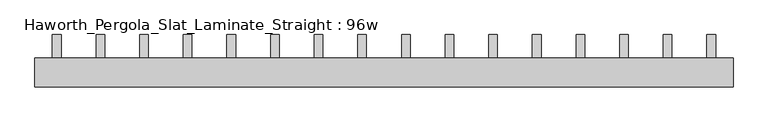
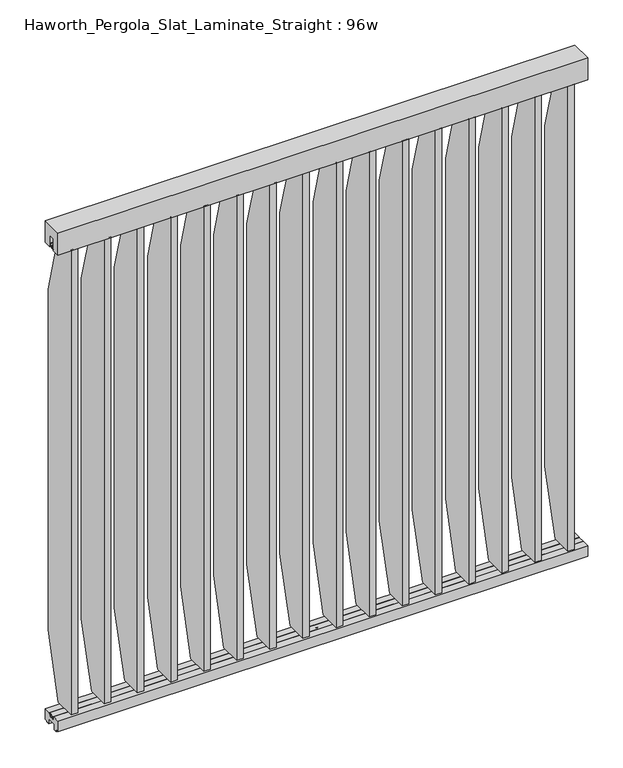
"""IFC4 building model written with IfcOpenShell, lengths in millimetres: furniture geometry, Haworth_Pergola_Slat_Laminate_Straight : 96w."""

from ifc_helpers import new_model, si_unit, point, frame, frame_2d, origin, place, context, project, spatial, polyline, circle_curve, trimmed, segment, composite_curve, outline, extrude, source, transform, mapped, element, save


def haworth_pergola_slat_laminate_straight_96w_c8a7a102(model_context):
    return source(origin(), model_context, "Body", "SweptSolid", [
        extrude(outline(polyline([(50.8, 2438.4), (50.8, 2331.8390625), (15.2182948, 2331.8390625), (15.2182948, 2388.7001663), (-15.2182948, 2388.7001663), (-15.2182948, 2331.8390625), (-50.8, 2331.8390625), (-50.8, 2438.4), (50.8, 2438.4)])), frame((-1181.1, 0.0, 0.0), z_axis=(1.0, 0.0, 0.0), x_axis=(0.0, 1.0, 0.0)), (0.0, 0.0, 1.0), 2438.4),
        extrude(outline(polyline([(132.3000005, 2029.2806731), (132.3000005, 371.6807247), (50.7894893, 68.7916667), (-50.8000016, 68.7916667), (-50.8000016, 2332.1697917), (50.7895063, 2332.1697917), (132.3000005, 2029.2806731)])), frame((1013.7000003, 0.0, 0.0), z_axis=(1.0, 0.0, 0.0), x_axis=(0.0, 1.0, 0.0)), (0.0, 0.0, 1.0), 29.9999997),
        extrude(outline(composite_curve([segment(trimmed(circle_curve(frame_2d((1028.7000001, -1e-07)), 6.0), [point((1022.7000001, -1e-07))], [point((1034.7000001, -1e-07))], False, "CARTESIAN"), True, "CONTINUOUS"), segment(trimmed(circle_curve(frame_2d((1028.7000001, -1e-07)), 6.0), [point((1034.7000001, -1e-07))], [point((1022.7000001, -1e-07))], False, "CARTESIAN"), True, "CONTINUOUS")], self_intersect=False)), frame((0.0, 0.0, 2332.1697917), z_axis=(0.0, 0.0, 1.0), x_axis=(1.0, 0.0, 0.0)), (0.0, 0.0, 1.0), 4.9609375),
        extrude(outline(composite_curve([segment(trimmed(circle_curve(frame_2d((1028.7000001, -1e-07)), 6.0), [point((1022.7000001, -1e-07))], [point((1034.7000001, -1e-07))], False, "CARTESIAN"), True, "CONTINUOUS"), segment(trimmed(circle_curve(frame_2d((1028.7000001, -1e-07)), 6.0), [point((1034.7000001, -1e-07))], [point((1022.7000001, -1e-07))], False, "CARTESIAN"), True, "CONTINUOUS")], self_intersect=False)), frame((0.0, 0.0, 63.8307292), z_axis=(0.0, 0.0, 1.0), x_axis=(1.0, 0.0, 0.0)), (0.0, 0.0, 1.0), 4.9609375),
        extrude(outline(polyline([(132.3000005, 2029.6114023), (132.3000005, 372.0114539), (50.7894893, 69.1223958), (-50.8000016, 69.1223958), (-50.8000016, 2332.5005208), (50.7895063, 2332.5005208), (132.3000005, 2029.6114023)])), frame((861.3000003, 0.0, 0.0), z_axis=(1.0, 0.0, 0.0), x_axis=(0.0, 1.0, 0.0)), (0.0, 0.0, 1.0), 29.9999997),
        extrude(outline(composite_curve([segment(trimmed(circle_curve(frame_2d((876.3000001, -1e-07)), 6.0), [point((870.3000001, -1e-07))], [point((882.3000001, -1e-07))], False, "CARTESIAN"), True, "CONTINUOUS"), segment(trimmed(circle_curve(frame_2d((876.3000001, -1e-07)), 6.0), [point((882.3000001, -1e-07))], [point((870.3000001, -1e-07))], False, "CARTESIAN"), True, "CONTINUOUS")], self_intersect=False)), frame((0.0, 0.0, 2332.5005208), z_axis=(0.0, 0.0, 1.0), x_axis=(1.0, 0.0, 0.0)), (0.0, 0.0, 1.0), 4.9609375),
        extrude(outline(composite_curve([segment(trimmed(circle_curve(frame_2d((876.3000001, -1e-07)), 6.0), [point((870.3000001, -1e-07))], [point((882.3000001, -1e-07))], False, "CARTESIAN"), True, "CONTINUOUS"), segment(trimmed(circle_curve(frame_2d((876.3000001, -1e-07)), 6.0), [point((882.3000001, -1e-07))], [point((870.3000001, -1e-07))], False, "CARTESIAN"), True, "CONTINUOUS")], self_intersect=False)), frame((0.0, 0.0, 64.1614583), z_axis=(0.0, 0.0, 1.0), x_axis=(1.0, 0.0, 0.0)), (0.0, 0.0, 1.0), 4.9609375),
        extrude(outline(polyline([(132.3000005, 2029.9421314), (132.3000005, 372.342183), (50.7894893, 69.453125), (-50.8000016, 69.453125), (-50.8000016, 2332.83125), (50.7895063, 2332.83125), (132.3000005, 2029.9421314)])), frame((708.9000003, 0.0, 0.0), z_axis=(1.0, 0.0, 0.0), x_axis=(0.0, 1.0, 0.0)), (0.0, 0.0, 1.0), 29.9999997),
        extrude(outline(composite_curve([segment(trimmed(circle_curve(frame_2d((723.9000001, -1e-07)), 6.0), [point((717.9000001, -1e-07))], [point((729.9000001, -1e-07))], False, "CARTESIAN"), True, "CONTINUOUS"), segment(trimmed(circle_curve(frame_2d((723.9000001, -1e-07)), 6.0), [point((729.9000001, -1e-07))], [point((717.9000001, -1e-07))], False, "CARTESIAN"), True, "CONTINUOUS")], self_intersect=False)), frame((0.0, 0.0, 2332.83125), z_axis=(0.0, 0.0, 1.0), x_axis=(1.0, 0.0, 0.0)), (0.0, 0.0, 1.0), 4.9609375),
        extrude(outline(composite_curve([segment(trimmed(circle_curve(frame_2d((723.9000001, -1e-07)), 6.0), [point((717.9000001, -1e-07))], [point((729.9000001, -1e-07))], False, "CARTESIAN"), True, "CONTINUOUS"), segment(trimmed(circle_curve(frame_2d((723.9000001, -1e-07)), 6.0), [point((729.9000001, -1e-07))], [point((717.9000001, -1e-07))], False, "CARTESIAN"), True, "CONTINUOUS")], self_intersect=False)), frame((0.0, 0.0, 64.4921875), z_axis=(0.0, 0.0, 1.0), x_axis=(1.0, 0.0, 0.0)), (0.0, 0.0, 1.0), 4.9609375),
        extrude(outline(polyline([(132.3000005, 2030.2728606), (132.3000005, 372.6729122), (50.7894893, 69.7838542), (-50.8000016, 69.7838542), (-50.8000016, 2333.1619792), (50.7895063, 2333.1619792), (132.3000005, 2030.2728606)])), frame((556.5000003, 0.0, 0.0), z_axis=(1.0, 0.0, 0.0), x_axis=(0.0, 1.0, 0.0)), (0.0, 0.0, 1.0), 29.9999997),
        extrude(outline(composite_curve([segment(trimmed(circle_curve(frame_2d((571.5000001, -1e-07)), 6.0), [point((565.5000001, -1e-07))], [point((577.5000001, -1e-07))], False, "CARTESIAN"), True, "CONTINUOUS"), segment(trimmed(circle_curve(frame_2d((571.5000001, -1e-07)), 6.0), [point((577.5000001, -1e-07))], [point((565.5000001, -1e-07))], False, "CARTESIAN"), True, "CONTINUOUS")], self_intersect=False)), frame((0.0, 0.0, 2333.1619792), z_axis=(0.0, 0.0, 1.0), x_axis=(1.0, 0.0, 0.0)), (0.0, 0.0, 1.0), 4.9609375),
        extrude(outline(composite_curve([segment(trimmed(circle_curve(frame_2d((571.5000001, -1e-07)), 6.0), [point((565.5000001, -1e-07))], [point((577.5000001, -1e-07))], False, "CARTESIAN"), True, "CONTINUOUS"), segment(trimmed(circle_curve(frame_2d((571.5000001, -1e-07)), 6.0), [point((577.5000001, -1e-07))], [point((565.5000001, -1e-07))], False, "CARTESIAN"), True, "CONTINUOUS")], self_intersect=False)), frame((0.0, 0.0, 64.8229167), z_axis=(0.0, 0.0, 1.0), x_axis=(1.0, 0.0, 0.0)), (0.0, 0.0, 1.0), 4.9609375),
        extrude(outline(polyline([(132.3000005, 2030.6035898), (132.3000005, 373.0036414), (50.7894893, 70.1145833), (-50.8000016, 70.1145833), (-50.8000016, 2333.4927083), (50.7895063, 2333.4927083), (132.3000005, 2030.6035898)])), frame((404.1000003, 0.0, 0.0), z_axis=(1.0, 0.0, 0.0), x_axis=(0.0, 1.0, 0.0)), (0.0, 0.0, 1.0), 29.9999997),
        extrude(outline(composite_curve([segment(trimmed(circle_curve(frame_2d((419.1000001, -1e-07)), 6.0), [point((413.1000001, -1e-07))], [point((425.1000001, -1e-07))], False, "CARTESIAN"), True, "CONTINUOUS"), segment(trimmed(circle_curve(frame_2d((419.1000001, -1e-07)), 6.0), [point((425.1000001, -1e-07))], [point((413.1000001, -1e-07))], False, "CARTESIAN"), True, "CONTINUOUS")], self_intersect=False)), frame((0.0, 0.0, 2333.4927083), z_axis=(0.0, 0.0, 1.0), x_axis=(1.0, 0.0, 0.0)), (0.0, 0.0, 1.0), 4.9609375),
        extrude(outline(composite_curve([segment(trimmed(circle_curve(frame_2d((419.1000001, -1e-07)), 6.0), [point((413.1000001, -1e-07))], [point((425.1000001, -1e-07))], False, "CARTESIAN"), True, "CONTINUOUS"), segment(trimmed(circle_curve(frame_2d((419.1000001, -1e-07)), 6.0), [point((425.1000001, -1e-07))], [point((413.1000001, -1e-07))], False, "CARTESIAN"), True, "CONTINUOUS")], self_intersect=False)), frame((0.0, 0.0, 65.1536458), z_axis=(0.0, 0.0, 1.0), x_axis=(1.0, 0.0, 0.0)), (0.0, 0.0, 1.0), 4.9609375),
        extrude(outline(polyline([(132.3000005, 2030.9343189), (132.3000005, 373.3343705), (50.7894893, 70.4453125), (-50.8000016, 70.4453125), (-50.8000016, 2333.8234375), (50.7895063, 2333.8234375), (132.3000005, 2030.9343189)])), frame((251.7000003, 0.0, 0.0), z_axis=(1.0, 0.0, 0.0), x_axis=(0.0, 1.0, 0.0)), (0.0, 0.0, 1.0), 29.9999997),
        extrude(outline(composite_curve([segment(trimmed(circle_curve(frame_2d((266.7000001, -1e-07)), 6.0), [point((260.7000001, -1e-07))], [point((272.7000001, -1e-07))], False, "CARTESIAN"), True, "CONTINUOUS"), segment(trimmed(circle_curve(frame_2d((266.7000001, -1e-07)), 6.0), [point((272.7000001, -1e-07))], [point((260.7000001, -1e-07))], False, "CARTESIAN"), True, "CONTINUOUS")], self_intersect=False)), frame((0.0, 0.0, 2333.8234375), z_axis=(0.0, 0.0, 1.0), x_axis=(1.0, 0.0, 0.0)), (0.0, 0.0, 1.0), 4.9609375),
        extrude(outline(composite_curve([segment(trimmed(circle_curve(frame_2d((266.7000001, -1e-07)), 6.0), [point((260.7000001, -1e-07))], [point((272.7000001, -1e-07))], False, "CARTESIAN"), True, "CONTINUOUS"), segment(trimmed(circle_curve(frame_2d((266.7000001, -1e-07)), 6.0), [point((272.7000001, -1e-07))], [point((260.7000001, -1e-07))], False, "CARTESIAN"), True, "CONTINUOUS")], self_intersect=False)), frame((0.0, 0.0, 65.484375), z_axis=(0.0, 0.0, 1.0), x_axis=(1.0, 0.0, 0.0)), (0.0, 0.0, 1.0), 4.9609375),
        extrude(outline(polyline([(132.3000005, 2031.2650481), (132.3000005, 373.6650997), (50.7894893, 70.7760417), (-50.8000016, 70.7760417), (-50.8000016, 2334.1541667), (50.7895063, 2334.1541667), (132.3000005, 2031.2650481)])), frame((99.3000003, 0.0, 0.0), z_axis=(1.0, 0.0, 0.0), x_axis=(0.0, 1.0, 0.0)), (0.0, 0.0, 1.0), 29.9999997),
        extrude(outline(composite_curve([segment(trimmed(circle_curve(frame_2d((114.3000001, -1e-07)), 6.0), [point((108.3000001, -1e-07))], [point((120.3000001, -1e-07))], False, "CARTESIAN"), True, "CONTINUOUS"), segment(trimmed(circle_curve(frame_2d((114.3000001, -1e-07)), 6.0), [point((120.3000001, -1e-07))], [point((108.3000001, -1e-07))], False, "CARTESIAN"), True, "CONTINUOUS")], self_intersect=False)), frame((0.0, 0.0, 2334.1541667), z_axis=(0.0, 0.0, 1.0), x_axis=(1.0, 0.0, 0.0)), (0.0, 0.0, 1.0), 4.9609375),
        extrude(outline(composite_curve([segment(trimmed(circle_curve(frame_2d((114.3000001, -1e-07)), 6.0), [point((108.3000001, -1e-07))], [point((120.3000001, -1e-07))], False, "CARTESIAN"), True, "CONTINUOUS"), segment(trimmed(circle_curve(frame_2d((114.3000001, -1e-07)), 6.0), [point((120.3000001, -1e-07))], [point((108.3000001, -1e-07))], False, "CARTESIAN"), True, "CONTINUOUS")], self_intersect=False)), frame((0.0, 0.0, 65.8151042), z_axis=(0.0, 0.0, 1.0), x_axis=(1.0, 0.0, 0.0)), (0.0, 0.0, 1.0), 4.9609375),
        extrude(outline(polyline([(132.3000005, 2031.5957773), (132.3000005, 373.9958289), (50.7894893, 71.1067708), (-50.8000016, 71.1067708), (-50.8000016, 2334.4848958), (50.7895063, 2334.4848958), (132.3000005, 2031.5957773)])), frame((-53.0999997, 0.0, 0.0), z_axis=(1.0, 0.0, 0.0), x_axis=(0.0, 1.0, 0.0)), (0.0, 0.0, 1.0), 29.9999997),
        extrude(outline(composite_curve([segment(trimmed(circle_curve(frame_2d((-38.0999999, -1e-07)), 6.0), [point((-44.0999999, -1e-07))], [point((-32.0999999, -1e-07))], False, "CARTESIAN"), True, "CONTINUOUS"), segment(trimmed(circle_curve(frame_2d((-38.0999999, -1e-07)), 6.0), [point((-32.0999999, -1e-07))], [point((-44.0999999, -1e-07))], False, "CARTESIAN"), True, "CONTINUOUS")], self_intersect=False)), frame((0.0, 0.0, 2334.4848958), z_axis=(0.0, 0.0, 1.0), x_axis=(1.0, 0.0, 0.0)), (0.0, 0.0, 1.0), 4.9609375),
        extrude(outline(composite_curve([segment(trimmed(circle_curve(frame_2d((-38.0999999, -1e-07)), 6.0), [point((-44.0999999, -1e-07))], [point((-32.0999999, -1e-07))], False, "CARTESIAN"), True, "CONTINUOUS"), segment(trimmed(circle_curve(frame_2d((-38.0999999, -1e-07)), 6.0), [point((-32.0999999, -1e-07))], [point((-44.0999999, -1e-07))], False, "CARTESIAN"), True, "CONTINUOUS")], self_intersect=False)), frame((0.0, 0.0, 66.1458333), z_axis=(0.0, 0.0, 1.0), x_axis=(1.0, 0.0, 0.0)), (0.0, 0.0, 1.0), 4.9609375),
        extrude(outline(polyline([(132.3000005, 2031.9265064), (132.3000005, 374.326558), (50.7894893, 71.4375), (-50.8000016, 71.4375), (-50.8000016, 2334.815625), (50.7895063, 2334.815625), (132.3000005, 2031.9265064)])), frame((-205.4999997, 0.0, 0.0), z_axis=(1.0, 0.0, 0.0), x_axis=(0.0, 1.0, 0.0)), (0.0, 0.0, 1.0), 29.9999997),
        extrude(outline(composite_curve([segment(trimmed(circle_curve(frame_2d((-190.4999999, -1e-07)), 6.0), [point((-196.4999999, -1e-07))], [point((-184.4999999, -1e-07))], False, "CARTESIAN"), True, "CONTINUOUS"), segment(trimmed(circle_curve(frame_2d((-190.4999999, -1e-07)), 6.0), [point((-184.4999999, -1e-07))], [point((-196.4999999, -1e-07))], False, "CARTESIAN"), True, "CONTINUOUS")], self_intersect=False)), frame((0.0, 0.0, 2334.815625), z_axis=(0.0, 0.0, 1.0), x_axis=(1.0, 0.0, 0.0)), (0.0, 0.0, 1.0), 4.9609375),
        extrude(outline(composite_curve([segment(trimmed(circle_curve(frame_2d((-190.4999999, -1e-07)), 6.0), [point((-196.4999999, -1e-07))], [point((-184.4999999, -1e-07))], False, "CARTESIAN"), True, "CONTINUOUS"), segment(trimmed(circle_curve(frame_2d((-190.4999999, -1e-07)), 6.0), [point((-184.4999999, -1e-07))], [point((-196.4999999, -1e-07))], False, "CARTESIAN"), True, "CONTINUOUS")], self_intersect=False)), frame((0.0, 0.0, 66.4765625), z_axis=(0.0, 0.0, 1.0), x_axis=(1.0, 0.0, 0.0)), (0.0, 0.0, 1.0), 4.9609375),
        extrude(outline(polyline([(132.3000005, 2032.2572356), (132.3000005, 374.6572872), (50.7894893, 71.7682292), (-50.8000016, 71.7682292), (-50.8000016, 2335.1463542), (50.7895063, 2335.1463542), (132.3000005, 2032.2572356)])), frame((-357.8999997, 0.0, 0.0), z_axis=(1.0, 0.0, 0.0), x_axis=(0.0, 1.0, 0.0)), (0.0, 0.0, 1.0), 29.9999997),
        extrude(outline(composite_curve([segment(trimmed(circle_curve(frame_2d((-342.8999999, -1e-07)), 6.0), [point((-348.8999999, -1e-07))], [point((-336.8999999, -1e-07))], False, "CARTESIAN"), True, "CONTINUOUS"), segment(trimmed(circle_curve(frame_2d((-342.8999999, -1e-07)), 6.0), [point((-336.8999999, -1e-07))], [point((-348.8999999, -1e-07))], False, "CARTESIAN"), True, "CONTINUOUS")], self_intersect=False)), frame((0.0, 0.0, 2335.1463542), z_axis=(0.0, 0.0, 1.0), x_axis=(1.0, 0.0, 0.0)), (0.0, 0.0, 1.0), 4.9609375),
        extrude(outline(composite_curve([segment(trimmed(circle_curve(frame_2d((-342.8999999, -1e-07)), 6.0), [point((-348.8999999, -1e-07))], [point((-336.8999999, -1e-07))], False, "CARTESIAN"), True, "CONTINUOUS"), segment(trimmed(circle_curve(frame_2d((-342.8999999, -1e-07)), 6.0), [point((-336.8999999, -1e-07))], [point((-348.8999999, -1e-07))], False, "CARTESIAN"), True, "CONTINUOUS")], self_intersect=False)), frame((0.0, 0.0, 66.8072917), z_axis=(0.0, 0.0, 1.0), x_axis=(1.0, 0.0, 0.0)), (0.0, 0.0, 1.0), 4.9609375),
        extrude(outline(polyline([(132.3000005, 2032.5879648), (132.3000005, 374.9880164), (50.7894893, 72.0989583), (-50.8000016, 72.0989583), (-50.8000016, 2335.4770833), (50.7895063, 2335.4770833), (132.3000005, 2032.5879648)])), frame((-510.2999997, 0.0, 0.0), z_axis=(1.0, 0.0, 0.0), x_axis=(0.0, 1.0, 0.0)), (0.0, 0.0, 1.0), 29.9999997),
        extrude(outline(composite_curve([segment(trimmed(circle_curve(frame_2d((-495.2999999, -1e-07)), 6.0), [point((-501.2999999, -1e-07))], [point((-489.2999999, -1e-07))], False, "CARTESIAN"), True, "CONTINUOUS"), segment(trimmed(circle_curve(frame_2d((-495.2999999, -1e-07)), 6.0), [point((-489.2999999, -1e-07))], [point((-501.2999999, -1e-07))], False, "CARTESIAN"), True, "CONTINUOUS")], self_intersect=False)), frame((0.0, 0.0, 2335.4770833), z_axis=(0.0, 0.0, 1.0), x_axis=(1.0, 0.0, 0.0)), (0.0, 0.0, 1.0), 4.9609375),
        extrude(outline(composite_curve([segment(trimmed(circle_curve(frame_2d((-495.2999999, -1e-07)), 6.0), [point((-501.2999999, -1e-07))], [point((-489.2999999, -1e-07))], False, "CARTESIAN"), True, "CONTINUOUS"), segment(trimmed(circle_curve(frame_2d((-495.2999999, -1e-07)), 6.0), [point((-489.2999999, -1e-07))], [point((-501.2999999, -1e-07))], False, "CARTESIAN"), True, "CONTINUOUS")], self_intersect=False)), frame((0.0, 0.0, 67.1380208), z_axis=(0.0, 0.0, 1.0), x_axis=(1.0, 0.0, 0.0)), (0.0, 0.0, 1.0), 4.9609375),
        extrude(outline(polyline([(132.3000005, 2032.9186939), (132.3000005, 375.3187455), (50.7894893, 72.4296875), (-50.8000016, 72.4296875), (-50.8000016, 2335.8078125), (50.7895063, 2335.8078125), (132.3000005, 2032.9186939)])), frame((-662.6999997, 0.0, 0.0), z_axis=(1.0, 0.0, 0.0), x_axis=(0.0, 1.0, 0.0)), (0.0, 0.0, 1.0), 29.9999997),
        extrude(outline(composite_curve([segment(trimmed(circle_curve(frame_2d((-647.6999999, -1e-07)), 6.0), [point((-653.6999999, -1e-07))], [point((-641.6999999, -1e-07))], False, "CARTESIAN"), True, "CONTINUOUS"), segment(trimmed(circle_curve(frame_2d((-647.6999999, -1e-07)), 6.0), [point((-641.6999999, -1e-07))], [point((-653.6999999, -1e-07))], False, "CARTESIAN"), True, "CONTINUOUS")], self_intersect=False)), frame((0.0, 0.0, 2335.8078125), z_axis=(0.0, 0.0, 1.0), x_axis=(1.0, 0.0, 0.0)), (0.0, 0.0, 1.0), 4.9609375),
        extrude(outline(composite_curve([segment(trimmed(circle_curve(frame_2d((-647.6999999, -1e-07)), 6.0), [point((-653.6999999, -1e-07))], [point((-641.6999999, -1e-07))], False, "CARTESIAN"), True, "CONTINUOUS"), segment(trimmed(circle_curve(frame_2d((-647.6999999, -1e-07)), 6.0), [point((-641.6999999, -1e-07))], [point((-653.6999999, -1e-07))], False, "CARTESIAN"), True, "CONTINUOUS")], self_intersect=False)), frame((0.0, 0.0, 67.46875), z_axis=(0.0, 0.0, 1.0), x_axis=(1.0, 0.0, 0.0)), (0.0, 0.0, 1.0), 4.9609375),
        extrude(outline(polyline([(132.3000005, 2033.2494231), (132.3000005, 375.6494747), (50.7894893, 72.7604167), (-50.8000016, 72.7604167), (-50.8000016, 2336.1385417), (50.7895063, 2336.1385417), (132.3000005, 2033.2494231)])), frame((-815.0999997, 0.0, 0.0), z_axis=(1.0, 0.0, 0.0), x_axis=(0.0, 1.0, 0.0)), (0.0, 0.0, 1.0), 29.9999997),
        extrude(outline(composite_curve([segment(trimmed(circle_curve(frame_2d((-800.0999999, -1e-07)), 6.0), [point((-806.0999999, -1e-07))], [point((-794.0999999, -1e-07))], False, "CARTESIAN"), True, "CONTINUOUS"), segment(trimmed(circle_curve(frame_2d((-800.0999999, -1e-07)), 6.0), [point((-794.0999999, -1e-07))], [point((-806.0999999, -1e-07))], False, "CARTESIAN"), True, "CONTINUOUS")], self_intersect=False)), frame((0.0, 0.0, 2336.1385417), z_axis=(0.0, 0.0, 1.0), x_axis=(1.0, 0.0, 0.0)), (0.0, 0.0, 1.0), 4.9609375),
        extrude(outline(composite_curve([segment(trimmed(circle_curve(frame_2d((-800.0999999, -1e-07)), 6.0), [point((-806.0999999, -1e-07))], [point((-794.0999999, -1e-07))], False, "CARTESIAN"), True, "CONTINUOUS"), segment(trimmed(circle_curve(frame_2d((-800.0999999, -1e-07)), 6.0), [point((-794.0999999, -1e-07))], [point((-806.0999999, -1e-07))], False, "CARTESIAN"), True, "CONTINUOUS")], self_intersect=False)), frame((0.0, 0.0, 67.7994792), z_axis=(0.0, 0.0, 1.0), x_axis=(1.0, 0.0, 0.0)), (0.0, 0.0, 1.0), 4.9609375),
        extrude(outline(polyline([(132.3000005, 2033.5801523), (132.3000005, 375.9802039), (50.7894893, 73.0911458), (-50.8000016, 73.0911458), (-50.8000016, 2336.4692708), (50.7895063, 2336.4692708), (132.3000005, 2033.5801523)])), frame((-967.4999997, 0.0, 0.0), z_axis=(1.0, 0.0, 0.0), x_axis=(0.0, 1.0, 0.0)), (0.0, 0.0, 1.0), 29.9999997),
        extrude(outline(composite_curve([segment(trimmed(circle_curve(frame_2d((-952.4999999, -1e-07)), 6.0), [point((-958.4999999, -1e-07))], [point((-946.4999999, -1e-07))], False, "CARTESIAN"), True, "CONTINUOUS"), segment(trimmed(circle_curve(frame_2d((-952.4999999, -1e-07)), 6.0), [point((-946.4999999, -1e-07))], [point((-958.4999999, -1e-07))], False, "CARTESIAN"), True, "CONTINUOUS")], self_intersect=False)), frame((0.0, 0.0, 2336.4692708), z_axis=(0.0, 0.0, 1.0), x_axis=(1.0, 0.0, 0.0)), (0.0, 0.0, 1.0), 4.9609375),
        extrude(outline(composite_curve([segment(trimmed(circle_curve(frame_2d((-952.4999999, -1e-07)), 6.0), [point((-958.4999999, -1e-07))], [point((-946.4999999, -1e-07))], False, "CARTESIAN"), True, "CONTINUOUS"), segment(trimmed(circle_curve(frame_2d((-952.4999999, -1e-07)), 6.0), [point((-946.4999999, -1e-07))], [point((-958.4999999, -1e-07))], False, "CARTESIAN"), True, "CONTINUOUS")], self_intersect=False)), frame((0.0, 0.0, 68.1302083), z_axis=(0.0, 0.0, 1.0), x_axis=(1.0, 0.0, 0.0)), (0.0, 0.0, 1.0), 4.9609375),
        extrude(outline(polyline([(132.3000005, 2028.9499439), (132.3000005, 371.3499955), (50.7894893, 68.4609375), (-50.8000016, 68.4609375), (-50.8000016, 2331.8390625), (50.7895063, 2331.8390625), (132.3000005, 2028.9499439)])), frame((1166.1000003, 0.0, 0.0), z_axis=(1.0, 0.0, 0.0), x_axis=(0.0, 1.0, 0.0)), (0.0, 0.0, 1.0), 29.9999997),
        extrude(outline(composite_curve([segment(trimmed(circle_curve(frame_2d((1181.1000001, -1e-07)), 6.0), [point((1175.1000001, -1e-07))], [point((1187.1000001, -1e-07))], False, "CARTESIAN"), True, "CONTINUOUS"), segment(trimmed(circle_curve(frame_2d((1181.1000001, -1e-07)), 6.0), [point((1187.1000001, -1e-07))], [point((1175.1000001, -1e-07))], False, "CARTESIAN"), True, "CONTINUOUS")], self_intersect=False)), frame((0.0, 0.0, 2331.8390625), z_axis=(0.0, 0.0, 1.0), x_axis=(1.0, 0.0, 0.0)), (0.0, 0.0, 1.0), 4.9609375),
        extrude(outline(composite_curve([segment(trimmed(circle_curve(frame_2d((1181.1000001, -1e-07)), 6.0), [point((1175.1000001, -1e-07))], [point((1187.1000001, -1e-07))], False, "CARTESIAN"), True, "CONTINUOUS"), segment(trimmed(circle_curve(frame_2d((1181.1000001, -1e-07)), 6.0), [point((1187.1000001, -1e-07))], [point((1175.1000001, -1e-07))], False, "CARTESIAN"), True, "CONTINUOUS")], self_intersect=False)), frame((0.0, 0.0, 63.5), z_axis=(0.0, 0.0, 1.0), x_axis=(1.0, 0.0, 0.0)), (0.0, 0.0, 1.0), 4.9609375),
        extrude(outline(polyline([(132.3000005, 2033.9108814), (132.3000005, 376.310933), (50.7894893, 73.421875), (-50.8000016, 73.421875), (-50.8000016, 2336.8), (50.7895063, 2336.8), (132.3000005, 2033.9108814)])), frame((-1119.8999997, 0.0, 0.0), z_axis=(1.0, 0.0, 0.0), x_axis=(0.0, 1.0, 0.0)), (0.0, 0.0, 1.0), 29.9999997),
        extrude(outline(composite_curve([segment(trimmed(circle_curve(frame_2d((-1104.8999999, -1e-07)), 6.0), [point((-1110.8999999, -1e-07))], [point((-1098.8999999, -1e-07))], False, "CARTESIAN"), True, "CONTINUOUS"), segment(trimmed(circle_curve(frame_2d((-1104.8999999, -1e-07)), 6.0), [point((-1098.8999999, -1e-07))], [point((-1110.8999999, -1e-07))], False, "CARTESIAN"), True, "CONTINUOUS")], self_intersect=False)), frame((0.0, 0.0, 2336.8), z_axis=(0.0, 0.0, 1.0), x_axis=(1.0, 0.0, 0.0)), (0.0, 0.0, 1.0), 4.9609375),
        extrude(outline(composite_curve([segment(trimmed(circle_curve(frame_2d((-1104.8999999, -1e-07)), 6.0), [point((-1110.8999999, -1e-07))], [point((-1098.8999999, -1e-07))], False, "CARTESIAN"), True, "CONTINUOUS"), segment(trimmed(circle_curve(frame_2d((-1104.8999999, -1e-07)), 6.0), [point((-1098.8999999, -1e-07))], [point((-1110.8999999, -1e-07))], False, "CARTESIAN"), True, "CONTINUOUS")], self_intersect=False)), frame((0.0, 0.0, 68.4609375), z_axis=(0.0, 0.0, 1.0), x_axis=(1.0, 0.0, 0.0)), (0.0, 0.0, 1.0), 4.9609375),
        extrude(outline(polyline([(7.8249998, 61.7499993), (7.8249998, 50.0999996), (4.8250001, 50.0999996), (4.8250001, 61.7499993), (-11.8250005, 61.7499993), (-11.8250005, 50.2499995), (-13.3999997, 50.2499995), (-13.3999997, 61.7499999), (-15.2249996, 61.7499999), (-15.2249996, 63.5), (15.2249995, 63.5), (15.2249995, 61.7499993), (7.8249998, 61.7499993)])), frame((-1181.1, 0.0, 0.0), z_axis=(1.0, 0.0, 0.0), x_axis=(0.0, 1.0, 0.0)), (0.0, 0.0, 1.0), 2438.4),
        extrude(outline(polyline([(16.2000002, 63.5), (50.0000003, 63.5), (50.0000003, 12.6999985), (40.9499986, 12.6999985), (38.949998, 10.6999979), (28.9499998, 10.6999979), (28.9499998, 7.6999994), (38.949998, 7.6999994), (38.949998, 5.6999988), (23.7499992, 5.6999988), (23.7499992, 31.4500009), (-23.7499993, 31.4500009), (-23.7499993, 5.6999988), (-38.9499981, 5.6999988), (-38.9499981, 7.6999994), (-28.9499999, 7.6999994), (-28.9499999, 10.6999979), (-38.9499981, 10.6999979), (-40.9499987, 12.6999985), (-50.0000004, 12.6999985), (-50.0000004, 63.5), (-16.2000003, 63.5), (-16.5085718, 61.7499999), (-13.3999997, 61.7499999), (-13.3999997, 58.8973461), (-15.4000003, 59.2499999), (-15.4000003, 48.3500004), (15.4000002, 48.3500004), (15.4000002, 59.2499999), (13.3999996, 58.8973461), (13.3999996, 61.7499999), (16.5085717, 61.7499999), (16.2000002, 63.5)])), frame((-1181.1, 0.0, 0.0), z_axis=(1.0, 0.0, 0.0), x_axis=(0.0, 1.0, 0.0)), (0.0, 0.0, 1.0), 2438.4),
        extrude(outline(polyline([(-7.8249999, 2338.5500385), (-7.8250005, 2350.2000542), (-4.8250002, 2350.2000542), (-4.8250002, 2338.5500385), (11.8250004, 2338.5500385), (11.8249992, 2350.0500633), (13.3999996, 2350.0500633), (13.3999996, 2338.5500385), (15.2249995, 2338.5500385), (15.2249995, 2336.8), (-15.2249996, 2336.8), (-15.2249996, 2338.5500385), (-7.8249999, 2338.5500385)])), frame((-1181.1, 0.0, 0.0), z_axis=(1.0, 0.0, 0.0), x_axis=(0.0, 1.0, 0.0)), (0.0, 0.0, 1.0), 2438.4),
        extrude(outline(composite_curve([segment(trimmed(circle_curve(frame_2d((38.1000001, -1e-07)), 6.0), [point((32.1000001, -1e-07))], [point((44.1000001, -1e-07))], False, "CARTESIAN"), True, "CONTINUOUS"), segment(trimmed(circle_curve(frame_2d((38.1000001, -1e-07)), 6.0), [point((44.1000001, -1e-07))], [point((32.1000001, -1e-07))], False, "CARTESIAN"), True, "CONTINUOUS")], self_intersect=False)), frame((0.0, 0.0, 2319.1390625), z_axis=(0.0, 0.0, 1.0), x_axis=(1.0, 0.0, 0.0)), (0.0, 0.0, 1.0), 17.6609375),
        extrude(outline(composite_curve([segment(trimmed(circle_curve(frame_2d((38.1000001, -1e-07)), 6.0), [point((32.1000001, -1e-07))], [point((44.1000001, -1e-07))], False, "CARTESIAN"), True, "CONTINUOUS"), segment(trimmed(circle_curve(frame_2d((38.1000001, -1e-07)), 6.0), [point((44.1000001, -1e-07))], [point((32.1000001, -1e-07))], False, "CARTESIAN"), True, "CONTINUOUS")], self_intersect=False)), frame((0.0, 0.0, 55.7609375), z_axis=(0.0, 0.0, 1.0), x_axis=(1.0, 0.0, 0.0)), (0.0, 0.0, 1.0), 7.7390625),
    ])


if __name__ == "__main__":
    model = new_model("IFC4")
    model_context = context("Model", 3, world=origin())
    ifc_project = project(units=[si_unit("LENGTHUNIT", "METRE", prefix="MILLI")], contexts=[model_context])
    site = spatial("IfcSite", under=ifc_project)
    building = spatial("IfcBuilding", under=site)
    placement = place(None, origin())
    haworth_pergola_slat_laminate_straight_96w_shape = haworth_pergola_slat_laminate_straight_96w_c8a7a102(model_context)
    element("IfcFurniture", 1, ObjectType="Haworth_Pergola_Slat_Laminate_Straight : 96w", at=placement, inside=building, context=model_context, shape_type="MappedRepresentation", body=[
        mapped(haworth_pergola_slat_laminate_straight_96w_shape, transform((0.0, 0.0, 0.0), x_axis=(1.0, 0.0, 0.0), y_axis=(0.0, 1.0, 0.0), z_axis=(0.0, 0.0, 1.0))),
    ])
    save(model, "model.ifc")
